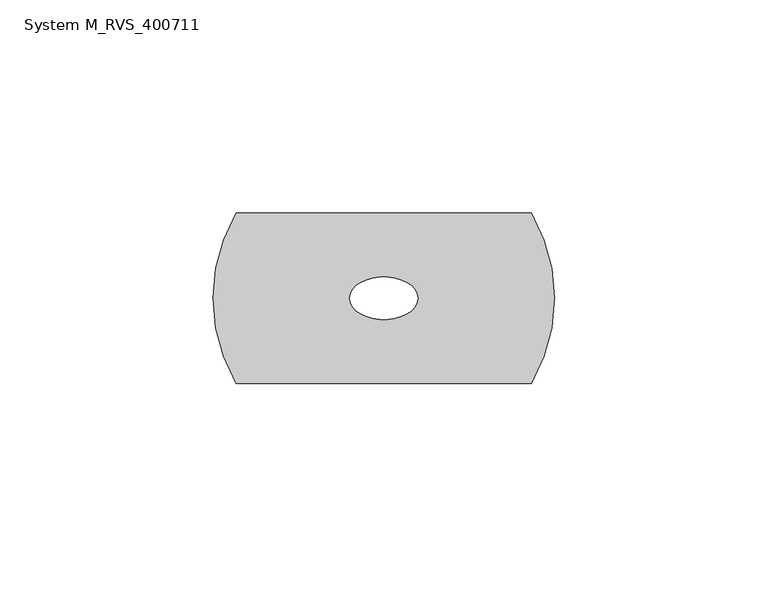
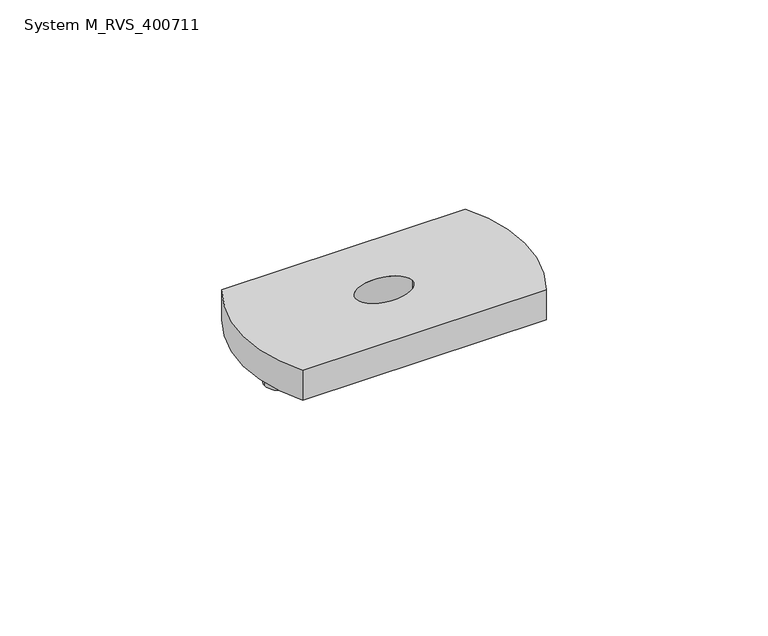
"""IFC4 building model written with IfcOpenShell, lengths in millimetres: proxy geometry, System M_RVS_400711."""

from ifc_helpers import new_model, si_unit, point, frame, frame_2d, origin, place, context, project, spatial, circle_curve, ellipse_curve, trimmed, segment, composite_curve, outline, extrude, source, transform, mapped, element, save
from ifc_brep_helpers import plane_surface, cylinder_surface, extruded_surface, advanced_brep


def system_m_rvs_400711_fc2e463e(model_context):
    return source(origin(), model_context, "Body", "SolidModel", [
        advanced_brep(
        [(34.6410162, -20.0, 9.0), (34.6410162, 20.0, 9.0), (-34.6410162, 20.0, 9.0), (-34.6410162, -20.0, 9.0), (-8.0, 0.0, 9.0), (8.0, 0.0, 9.0), (34.6410162, -20.0, 0.0), (-34.6410162, -20.0, 0.0), (-34.6410162, 20.0, 0.0), (34.6410162, 20.0, 0.0), (8.0, 0.0, 0.0), (-8.0, 0.0, 0.0)],
        [
            (0, 1, circle_curve(frame((0.3744648, 0.0, 9.0), z_axis=(0.0, 0.0, 1.0), x_axis=(1.0, 0.0, 0.0)), 39.6761458)),
            (1, 2),
            (2, 3, circle_curve(frame((-0.3744648, 0.0, 9.0), z_axis=(0.0, 0.0, 1.0), x_axis=(1.0, 0.0, 0.0)), 39.6761458)),
            (3, 0),
            (4, 5, ellipse_curve(frame((0.0, 0.0, 9.0), z_axis=(0.0, 0.0, -1.0), x_axis=(-1.0, 0.0, 0.0)), 8.0, 5.0)),
            (5, 4, ellipse_curve(frame((0.0, 0.0, 9.0), z_axis=(0.0, 0.0, -1.0), x_axis=(-1.0, 0.0, 0.0)), 8.0, 5.0)),
            (6, 7),
            (7, 8, circle_curve(frame((-0.3744648, 0.0, 0.0), z_axis=(0.0, 0.0, -1.0), x_axis=(1.0, 0.0, 0.0)), 39.6761458)),
            (8, 9),
            (9, 6, circle_curve(frame((0.3744648, 0.0, 0.0), z_axis=(0.0, 0.0, -1.0), x_axis=(1.0, 0.0, 0.0)), 39.6761458)),
            (10, 11, ellipse_curve(frame((0.0, 0.0, 0.0), z_axis=(0.0, 0.0, 1.0), x_axis=(-1.0, 0.0, 0.0)), 8.0, 5.0)),
            (11, 10, ellipse_curve(frame((0.0, 0.0, 0.0), z_axis=(0.0, 0.0, 1.0), x_axis=(-1.0, 0.0, 0.0)), 8.0, 5.0)),
            (0, 6),
            (9, 1),
            (8, 2),
            (7, 3),
            (4, 11),
            (10, 5),
        ],
        [
            plane_surface(frame((40.0506105, 0.0, 9.0), z_axis=(0.0, 0.0, 1.0), x_axis=(0.0, 1.0, 0.0))),
            plane_surface(frame((40.0506105, 0.0, 0.0), z_axis=(0.0, 0.0, -1.0), x_axis=(0.0, -1.0, 0.0))),
            cylinder_surface(frame((0.3744648, 0.0, 0.0), z_axis=(0.0, 0.0, 1.0), x_axis=(1.0, 0.0, 0.0)), 39.6761458),
            plane_surface(frame((34.6410162, 20.0, 9.0), z_axis=(0.0, 1.0, 0.0), x_axis=(0.0, 0.0, -1.0))),
            cylinder_surface(frame((-0.3744648, 0.0, 0.0), z_axis=(0.0, 0.0, 1.0), x_axis=(1.0, 0.0, 0.0)), 39.6761458),
            plane_surface(frame((-34.6410162, -20.0, 9.0), z_axis=(0.0, -1.0, 0.0), x_axis=(0.0, 0.0, -1.0))),
            extruded_surface(trimmed(ellipse_curve(frame((0.0, 0.0, 0.0), z_axis=(0.0, 0.0, 1.0), x_axis=(-1.0, 0.0, 0.0)), 8.0, 5.0), [point((8.0, 0.0, 0.0))], [point((-8.0, 0.0, 0.0))], True, "CARTESIAN"), (0.0, 0.0, -9.0), 9.0),
            extruded_surface(trimmed(ellipse_curve(frame((0.0, 0.0, 0.0), z_axis=(0.0, 0.0, 1.0), x_axis=(-1.0, 0.0, 0.0)), 8.0, 5.0), [point((-8.0, 0.0, 0.0))], [point((8.0, 0.0, 0.0))], True, "CARTESIAN"), (0.0, 0.0, -9.0), 9.0),
        ],
        [
            (0, [[1, 2, 3, 4], [5, 6]]),
            (1, [[7, 8, 9, 10], [11, 12]]),
            (2, [[-1, 13, -10, 14]]),
            (3, [[-2, -14, -9, 15]]),
            (4, [[-3, -15, -8, 16]]),
            (5, [[-4, -16, -7, -13]]),
            (6, [[17, -11, 18, -5]]),
            (7, [[-17, -6, -18, -12]]),
        ],
    ),
        extrude(outline(composite_curve([segment(trimmed(circle_curve(frame_2d((-30.0, 0.0)), 4.0), [point((-34.0, 0.0))], [point((-26.0, 0.0))], False, "CARTESIAN"), True, "CONTINUOUS"), segment(trimmed(circle_curve(frame_2d((-30.0, 0.0)), 4.0), [point((-26.0, 0.0))], [point((-34.0, 0.0))], False, "CARTESIAN"), True, "CONTINUOUS")], self_intersect=False)), frame((0.0, 0.0, -8.0), z_axis=(0.0, 0.0, 1.0), x_axis=(1.0, 0.0, 0.0)), (0.0, 0.0, 1.0), 8.0),
        extrude(outline(composite_curve([segment(trimmed(circle_curve(frame_2d((30.0, 0.0)), 4.0), [point((26.0, 0.0))], [point((34.0, 0.0))], False, "CARTESIAN"), True, "CONTINUOUS"), segment(trimmed(circle_curve(frame_2d((30.0, 0.0)), 4.0), [point((34.0, 0.0))], [point((26.0, 0.0))], False, "CARTESIAN"), True, "CONTINUOUS")], self_intersect=False)), frame((0.0, 0.0, -8.0), z_axis=(0.0, 0.0, 1.0), x_axis=(1.0, 0.0, 0.0)), (0.0, 0.0, 1.0), 8.0),
    ])


if __name__ == "__main__":
    model = new_model("IFC4")
    model_context = context("Model", 3, world=origin())
    ifc_project = project(units=[si_unit("LENGTHUNIT", "METRE", prefix="MILLI")], contexts=[model_context])
    site = spatial("IfcSite", under=ifc_project)
    building = spatial("IfcBuilding", under=site)
    placement = place(None, origin())
    system_m_rvs_400711_shape = system_m_rvs_400711_fc2e463e(model_context)
    element("IfcBuildingElementProxy", 1, Name="System M_RVS_400711", ObjectType="System M_RVS_400711", at=placement, inside=building, context=model_context, shape_type="MappedRepresentation", body=[
        mapped(system_m_rvs_400711_shape, transform((0.0, 0.0, 0.0), x_axis=(1.0, 0.0, 0.0), y_axis=(0.0, 1.0, 0.0), z_axis=(0.0, 0.0, 1.0))),
    ])
    save(model, "model.ifc")
